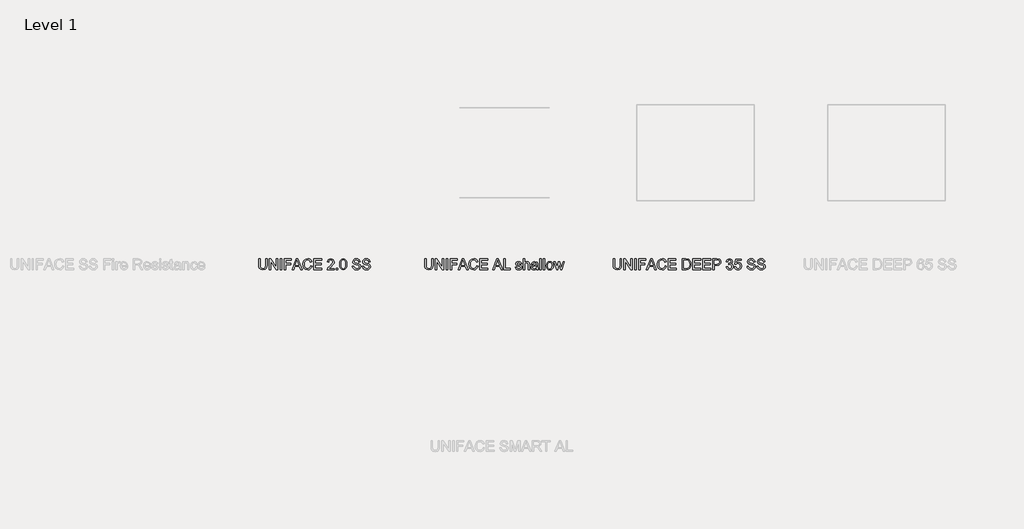
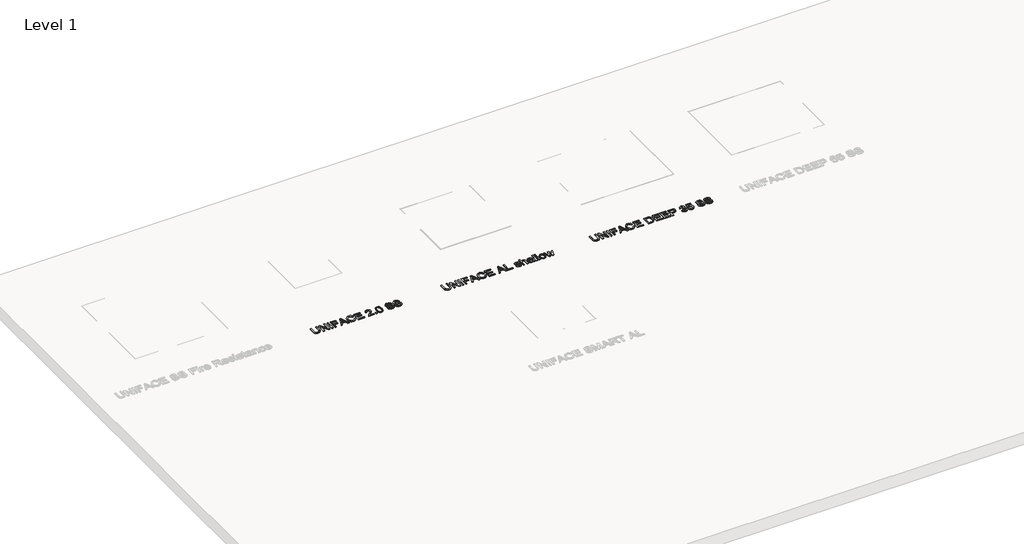
# One storey, part 5 of 9: 3 proxies.
"""IFC4 building model written with IfcOpenShell, lengths in millimetres."""

import ifcopenshell
import ifcopenshell.guid

model = None  # the IFC model being written
_history = None  # IfcOwnerHistory: only IFC2X3 demands one
_inside = {}  # id of a spatial element -> (the spatial element, [elements in it])
_under = {}  # id of a project, library or spatial element -> (it, [spatial elements below it])
_declared = {}  # id of a project -> (the project, [libraries it declares])
_typed = {}  # id of a type object -> (the type object, [elements of that type])
_made_of = {}  # id of a material, layer set ... -> (it, [elements and type objects made of it])


def new_model(schema):
    """Start an empty IFC model of exactly this schema.

    Asked for "IFC4X3", IfcOpenShell would pick the latest addendum, in which some entities
    have other attributes; the version numbers below select the first issue.
    IFC2X3 requires an IfcOwnerHistory on every rooted entity: one is made here for all.
    """
    global model, _history
    if schema == "IFC4X3":
        model = ifcopenshell.file(schema_version=(4, 3, 0, 0))
    else:
        model = ifcopenshell.file(schema=schema)
    _inside.clear()
    _under.clear()
    _declared.clear()
    _typed.clear()
    _made_of.clear()
    _history = None
    if model.schema == "IFC2X3":
        org = make("IfcOrganization", Name="unknown")
        user = make(
            "IfcPersonAndOrganization",
            ThePerson=make("IfcPerson", FamilyName="unknown"),
            TheOrganization=org,
        )
        app = make(
            "IfcApplication",
            ApplicationDeveloper=org,
            Version="unknown",
            ApplicationFullName="unknown",
            ApplicationIdentifier="unknown",
        )
        _history = make(
            "IfcOwnerHistory",
            OwningUser=user,
            OwningApplication=app,
            ChangeAction="ADDED",
            CreationDate=0,
        )
    return model


def make(cls, **values):
    """One entity of the class cls with the attributes given. An attribute that is None is left unset."""
    return model.create_entity(
        cls, **{name: value for name, value in values.items() if value is not None}
    )


def rooted(cls, **values):
    """An entity with a GlobalId (a new one), such as an element, a storey or a relation."""
    return make(cls, GlobalId=ifcopenshell.guid.new(), OwnerHistory=_history, **values)


def si_unit(unit_type, name, prefix=None):
    """IfcSIUnit, for example si_unit("LENGTHUNIT", "METRE", prefix="MILLI")."""
    return make("IfcSIUnit", UnitType=unit_type, Prefix=prefix, Name=name)


def assignment(units):
    """IfcUnitAssignment: the units of a project."""
    return None if units is None else make("IfcUnitAssignment", Units=units)


def point(xyz):
    """IfcCartesianPoint."""
    return None if xyz is None else make("IfcCartesianPoint", Coordinates=xyz)


def direction(xyz):
    """IfcDirection."""
    return None if xyz is None else make("IfcDirection", DirectionRatios=xyz)


def frame(location, z_axis=None, x_axis=None):
    """IfcAxis2Placement3D, a coordinate frame: its origin and axes. An axis left out is left unset."""
    return make(
        "IfcAxis2Placement3D",
        Location=point(location),
        Axis=direction(z_axis),
        RefDirection=direction(x_axis),
    )


def origin():
    """The frame at (0, 0, 0) with its axes left unset."""
    return frame((0.0, 0.0, 0.0))


def origin_with_axes():
    """The frame at (0, 0, 0) with the z axis (0, 0, 1) and the x axis (1, 0, 0) written out."""
    return frame((0.0, 0.0, 0.0), z_axis=(0.0, 0.0, 1.0), x_axis=(1.0, 0.0, 0.0))


def place(relative_to, where):
    """IfcLocalPlacement: puts the frame where relative to a parent placement (None: the world)."""
    return make(
        "IfcLocalPlacement", PlacementRelTo=relative_to, RelativePlacement=where
    )


def context(
    kind, dimensions, precision=None, world=None, true_north=None, identifier=None
):
    """IfcGeometricRepresentationContext, for example the 3D "Model" context."""
    return make(
        "IfcGeometricRepresentationContext",
        ContextIdentifier=identifier,
        ContextType=kind,
        CoordinateSpaceDimension=dimensions,
        Precision=precision,
        WorldCoordinateSystem=world,
        TrueNorth=true_north,
    )


def project(units=None, contexts=None):
    """IfcProject with its units and contexts."""
    return rooted(
        "IfcProject",
        Name="project",
        RepresentationContexts=contexts,
        UnitsInContext=assignment(units),
    )


def spatial(cls, under=None, at=None, **own):
    """A site, building, storey or space (cls), placed at a placement, below another one or the project."""
    s = rooted(cls, ObjectPlacement=at, **own)
    if under is not None:
        _under.setdefault(under.id(), (under, []))[1].append(s)
    return s


def polyline(points):
    """IfcPolyline through the points."""
    return make("IfcPolyline", Points=[point(p) for p in points])


def outline(outer, holes=None, kind="AREA"):
    """IfcArbitraryClosedProfileDef: a profile drawn as a closed curve; with holes, ...WithVoids."""
    if holes is None:
        return make("IfcArbitraryClosedProfileDef", ProfileType=kind, OuterCurve=outer)
    return make(
        "IfcArbitraryProfileDefWithVoids",
        ProfileType=kind,
        OuterCurve=outer,
        InnerCurves=holes,
    )


def extrude(swept, where, along, depth):
    """IfcExtrudedAreaSolid: the profile swept, set in the frame where, extruded along a direction by depth."""
    return make(
        "IfcExtrudedAreaSolid",
        SweptArea=swept,
        Position=where,
        ExtrudedDirection=direction(along),
        Depth=depth,
    )


def shape(context_of_items, identifier, shape_type, items):
    """IfcShapeRepresentation: the items that make up one representation, for example the "Body"."""
    return make(
        "IfcShapeRepresentation",
        ContextOfItems=context_of_items,
        RepresentationIdentifier=identifier,
        RepresentationType=shape_type,
        Items=items,
    )


def made_of(thing, what):
    """Note that an element or type object is made of a material, layer set ...; save() writes the relation."""
    if what is not None:
        _made_of.setdefault(what.id(), (what, []))[1].append(thing)
    return thing


def element(
    cls,
    number,
    at=None,
    inside=None,
    cuts=None,
    type_object=None,
    material=None,
    context=None,
    identifier="Body",
    shape_type=None,
    held_by="IfcProductDefinitionShape",
    body=None,
    shapes=None,
    **own,
):
    """One element of the class cls, such as IfcWall. Its Tag is "e" and its number.

    at: its placement. inside: the storey or other place that contains it. cuts: it is an
    opening in that element (IfcRelVoidsElement). A single representation is given by context,
    identifier, shape_type and body (its items); several are given by shapes. held_by: the class
    of the entity that holds the representations. save() writes the other relations.
    """
    e = rooted(cls, Tag="e%d" % number, ObjectPlacement=at, **own)
    if body is not None:
        shapes = [shape(context, identifier, shape_type, body)]
    if shapes is not None:
        e.Representation = make(held_by, Representations=shapes)
    if inside is not None:
        _inside.setdefault(inside.id(), (inside, []))[1].append(e)
    if cuts is not None:
        rooted(
            "IfcRelVoidsElement", RelatingBuildingElement=cuts, RelatedOpeningElement=e
        )
    if type_object is not None:
        _typed.setdefault(type_object.id(), (type_object, []))[1].append(e)
    return made_of(e, material)


def aggregate(whole, parts):
    """IfcRelAggregates: a whole, such as a stair, and the parts it consists of."""
    return rooted("IfcRelAggregates", RelatingObject=whole, RelatedObjects=parts)


def save(model, path):
    """Write the relations noted so far, then the file.

    IfcRelAggregates (storeys below a building ...), IfcRelContainedInSpatialStructure (elements
    in a storey), IfcRelDefinesByType, IfcRelAssociatesMaterial and IfcRelDeclares: one each for
    every whole, place, type object, material and project.
    """
    for whole, parts in _under.values():
        aggregate(whole, parts)
    for where, things in _inside.values():
        rooted(
            "IfcRelContainedInSpatialStructure",
            RelatedElements=things,
            RelatingStructure=where,
        )
    for kind, things in _typed.values():
        rooted("IfcRelDefinesByType", RelatedObjects=things, RelatingType=kind)
    for what, things in _made_of.values():
        rooted("IfcRelAssociatesMaterial", RelatedObjects=things, RelatingMaterial=what)
    for by, libraries in _declared.values():
        rooted("IfcRelDeclares", RelatingContext=by, RelatedDefinitions=libraries)
    model.write(path)


model = new_model("IFC4")

# Units and contexts
model_context = context("Model", 3, world=origin())
ifc_project = project(units=[si_unit("LENGTHUNIT", "METRE", prefix="MILLI")], contexts=[model_context])

# Site, building, storey
site = spatial("IfcSite", under=ifc_project)
building = spatial("IfcBuilding", under=site)
storey = spatial("IfcBuildingStorey", under=building, Name="Level 1", Elevation=0.0)

# Proxies
placement = place(None, origin())
element("IfcBuildingElementProxy", 1, Name="100mm ACO", ObjectType="100mm ACO", at=placement, inside=storey, context=model_context, shape_type="SweptSolid", body=[
    extrude(outline(polyline([(2159.7357905, -11847.3956492), (2158.8917656, -11861.7586247), (2154.4097023, -11875.3212318), (2142.5933536, -11886.9338503), (2120.7942276, -11891.5759873), (2099.3443533, -11887.4577279), (2087.3970352, -11876.8055515), (2082.5511681, -11863.1992879), (2081.503413, -11847.3956492), (2081.503413, -11789.1288264), (2094.5421426, -11789.1288264), (2094.5421426, -11847.7449008), (2095.8372842, -11863.5048831), (2102.6622443, -11875.2630232), (2109.6982105, -11879.1157058), (2119.7464725, -11880.3999334), (2137.2818176, -11876.3107783), (2144.9216982, -11865.3821109), (2146.6970609, -11847.7449008), (2146.6970609, -11789.1288264), (2159.7357905, -11789.1288264), (2159.7357905, -11847.3956492)])), origin_with_axes(), (0.0, 0.0, 1.0), 10.0),
    extrude(outline(polyline([(2260.3202758, -11889.7133117), (2246.3502084, -11889.7133117), (2195.3885667, -11811.0152653), (2195.3885667, -11889.7133117), (2182.0878983, -11889.7133117), (2182.0878983, -11789.1288264), (2196.08707, -11789.1288264), (2247.0196075, -11867.7686641), (2247.0196075, -11789.1288264), (2260.3202758, -11789.1288264), (2260.3202758, -11889.7133117)])), origin_with_axes(), (0.0, 0.0, 1.0), 10.0),
    extrude(outline(polyline([(2297.5737889, -11889.7133117), (2284.5350593, -11889.7133117), (2284.5350593, -11789.1288264), (2297.5737889, -11789.1288264), (2297.5737889, -11889.7133117)])), origin_with_axes(), (0.0, 0.0, 1.0), 10.0),
    extrude(outline(polyline([(2388.8448959, -11800.3048803), (2334.827302, -11800.3048803), (2334.827302, -11831.9703664), (2381.3941933, -11831.9703664), (2381.3941933, -11843.1464203), (2334.827302, -11843.1464203), (2334.827302, -11889.7133117), (2321.7885724, -11889.7133117), (2321.7885724, -11789.1288264), (2388.8448959, -11789.1288264), (2388.8448959, -11800.3048803)])), origin_with_axes(), (0.0, 0.0, 1.0), 10.0),
    extrude(outline(polyline([(2489.8950502, -11889.7133117), (2476.0122957, -11889.7133117), (2463.9631125, -11859.9105012), (2421.267094, -11859.9105012), (2409.6835798, -11889.7133117), (2395.8299296, -11889.7133117), (2434.9170141, -11789.1288264), (2449.1781245, -11789.1288264), (2489.8950502, -11889.7133117)]), holes=[polyline([(2459.4228406, -11848.7344473), (2444.9143435, -11811.8592902), (2441.9311521, -11800.1302544), (2437.2453586, -11818.8152196), (2425.6327401, -11848.7344473), (2459.4228406, -11848.7344473)])]), origin_with_axes(), (0.0, 0.0, 1.0), 10.0),
    extrude(outline(polyline([(2584.4258396, -11857.6985739), (2578.4776468, -11872.6108932), (2569.3061521, -11883.1793947), (2557.449785, -11889.4768392), (2543.4469752, -11891.5759873), (2522.4191133, -11887.6978384), (2507.9979292, -11876.0633916), (2499.6595452, -11858.9718873), (2496.8800839, -11838.7225656), (2500.1434043, -11817.2108447), (2509.9333656, -11800.9306229), (2524.852961, -11790.6822687), (2543.5051838, -11787.2661507), (2556.8968031, -11789.0888079), (2568.2001884, -11794.5567796), (2576.9205664, -11803.5390964), (2582.5631639, -11815.9047889), (2569.5244344, -11818.9316368), (2559.6144178, -11803.5791148), (2543.0104106, -11798.4422046), (2528.7056437, -11801.1670954), (2518.3299582, -11809.3417676), (2512.0215996, -11822.1003683), (2509.9188134, -11838.5770441), (2512.1452929, -11857.047365), (2518.8247314, -11870.0824565), (2529.0839997, -11877.8205642), (2542.0499685, -11880.3999334), (2552.6803166, -11878.7737302), (2561.1132896, -11873.8951208), (2567.3488874, -11865.7495528), (2571.38711, -11854.3224742), (2584.4258396, -11857.6985739)])), origin_with_axes(), (0.0, 0.0, 1.0), 10.0),
    extrude(outline(polyline([(2675.6969466, -11889.7133117), (2601.1899205, -11889.7133117), (2601.1899205, -11789.1288264), (2673.834271, -11789.1288264), (2673.834271, -11800.3048803), (2614.2286501, -11800.3048803), (2614.2286501, -11831.9703664), (2670.1089197, -11831.9703664), (2670.1089197, -11843.1464203), (2614.2286501, -11843.1464203), (2614.2286501, -11878.5372577), (2675.6969466, -11878.5372577), (2675.6969466, -11889.7133117)])), origin_with_axes(), (0.0, 0.0, 1.0), 10.0),
    extrude(outline(polyline([(2793.0455129, -11889.7133117), (2725.9891893, -11889.7133117), (2731.9846766, -11874.0260901), (2754.1330543, -11852.2851727), (2772.0030988, -11834.8516928), (2778.0058622, -11825.771149), (2780.0067833, -11816.6323966), (2774.5497257, -11803.593667), (2760.7688363, -11798.4422046), (2746.6532473, -11803.5791148), (2742.3603621, -11809.9857004), (2740.8905945, -11818.9316368), (2727.851865, -11817.5346301), (2731.0096823, -11805.3617536), (2738.0965811, -11796.4340074), (2748.3704015, -11790.9551216), (2761.0889837, -11789.1288264), (2774.5242594, -11791.2279745), (2784.619816, -11797.5254189), (2790.9390886, -11806.7915027), (2793.0455129, -11817.7965688), (2791.2847023, -11827.7575179), (2786.0022705, -11837.8494364), (2758.4113874, -11865.5276325), (2742.7532702, -11880.3999334), (2793.0455129, -11880.3999334), (2793.0455129, -11889.7133117)])), origin_with_axes(), (0.0, 0.0, 1.0), 10.0),
    extrude(outline(polyline([(2828.4363503, -11889.7133117), (2813.5349451, -11889.7133117), (2813.5349451, -11874.8119064), (2828.4363503, -11874.8119064), (2828.4363503, -11889.7133117)])), origin_with_axes(), (0.0, 0.0, 1.0), 10.0),
    extrude(outline(polyline([(2878.6994886, -11789.1288264), (2893.3807925, -11792.3339382), (2903.8674382, -11801.9492736), (2910.1594256, -11817.9748327), (2912.2567547, -11840.4106155), (2910.0884838, -11863.0137479), (2903.5836712, -11878.9592702), (2893.0260838, -11888.421808), (2878.6994886, -11891.5759873), (2864.043651, -11888.3781516), (2853.5751955, -11878.7846444), (2847.2941223, -11862.7954656), (2845.2004312, -11840.4106155), (2847.368702, -11817.811121), (2853.8735147, -11801.8183042), (2864.4165499, -11792.3011958), (2878.6994886, -11789.1288264)]), holes=[polyline([(2878.7285929, -11882.2626091), (2887.6199588, -11879.8142092), (2894.0374585, -11872.4690097), (2897.9228835, -11859.5576115), (2899.2180251, -11840.4106155), (2896.9478892, -11816.0503104), (2890.0938249, -11802.8078507), (2878.5830714, -11798.4422046), (2869.7098958, -11800.9342609), (2863.3469666, -11808.4104298), (2859.5161122, -11821.3945888), (2858.2391607, -11840.4106155), (2860.5529532, -11864.6108468), (2867.4070175, -11877.896963), (2878.7285929, -11882.2626091)])]), origin_with_axes(), (0.0, 0.0, 1.0), 10.0),
    extrude(outline(polyline([(3025.8799696, -11818.9316368), (3023.8572203, -11809.9857004), (3019.3606048, -11803.5791148), (3012.3901233, -11799.7264322), (3002.9457756, -11798.4422046), (2987.2294498, -11802.4440468), (2982.6891779, -11807.3590367), (2981.1757539, -11814.1003218), (2985.6723694, -11824.2140686), (3003.9644264, -11830.5442553), (3023.9154289, -11836.0595215), (3037.1433365, -11845.0382003), (3041.268872, -11852.1614794), (3042.6440505, -11861.3657166), (3040.1228899, -11873.2730162), (3032.5594081, -11882.9756646), (3020.9431515, -11889.4259066), (3006.2636666, -11891.5759873), (2988.1753398, -11889.1894341), (2975.2966839, -11882.0297746), (2967.438521, -11871.072003), (2964.411673, -11857.2911136), (2977.4504026, -11856.1851499), (2980.0952565, -11867.1247313), (2986.3417684, -11874.6227284), (2995.2294962, -11878.9556322), (3005.7979977, -11880.3999334), (3023.0277475, -11875.6413792), (3027.9609276, -11870.035162), (3029.6053209, -11862.733619), (3027.906357, -11855.3629532), (3022.8094652, -11850.3060799), (2999.3950502, -11842.8117208), (2985.1011973, -11838.4460747), (2975.4567576, -11832.5379004), (2969.9669576, -11824.8652774), (2968.1370243, -11815.2062855), (2970.4326266, -11804.1466488), (2977.3194332, -11795.1825222), (2988.1644257, -11789.2452436), (3002.3345852, -11787.2661507), (3016.9813277, -11789.2597957), (3028.4411486, -11795.2407308), (3035.9937163, -11804.8888086), (3038.9186992, -11817.8838818), (3025.8799696, -11818.9316368)])), origin_with_axes(), (0.0, 0.0, 1.0), 10.0),
    extrude(outline(polyline([(3119.0137523, -11818.9316368), (3116.991003, -11809.9857004), (3112.4943875, -11803.5791148), (3105.523906, -11799.7264322), (3096.0795583, -11798.4422046), (3080.3632325, -11802.4440468), (3075.8229606, -11807.3590367), (3074.3095366, -11814.1003218), (3078.8061521, -11824.2140686), (3097.0982091, -11830.5442553), (3117.0492116, -11836.0595215), (3130.2771192, -11845.0382003), (3134.4026547, -11852.1614794), (3135.7778332, -11861.3657166), (3133.2566726, -11873.2730162), (3125.6931908, -11882.9756646), (3114.0769342, -11889.4259066), (3099.3974493, -11891.5759873), (3081.3091225, -11889.1894341), (3068.4304666, -11882.0297746), (3060.5723037, -11871.072003), (3057.5454557, -11857.2911136), (3070.5841853, -11856.1851499), (3073.2290392, -11867.1247313), (3079.4755511, -11874.6227284), (3088.3632789, -11878.9556322), (3098.9317804, -11880.3999334), (3116.1615302, -11875.6413792), (3121.0947103, -11870.035162), (3122.7391036, -11862.733619), (3121.0401397, -11855.3629532), (3115.9432479, -11850.3060799), (3092.5288329, -11842.8117208), (3078.23498, -11838.4460747), (3068.5905403, -11832.5379004), (3063.1007403, -11824.8652774), (3061.270807, -11815.2062855), (3063.5664093, -11804.1466488), (3070.4532159, -11795.1825222), (3081.2982084, -11789.2452436), (3095.4683679, -11787.2661507), (3110.1151104, -11789.2597957), (3121.5749313, -11795.2407308), (3129.127499, -11804.8888086), (3132.0524819, -11817.8838818), (3119.0137523, -11818.9316368)])), origin_with_axes(), (0.0, 0.0, 1.0), 10.0),
])
element("IfcBuildingElementProxy", 2, Name="100mm ACO", ObjectType="100mm ACO", at=placement, inside=storey, context=model_context, shape_type="SweptSolid", body=[
    extrude(outline(polyline([(3724.6433876, -11847.3956492), (3723.7993627, -11861.7586247), (3719.3172994, -11875.3212318), (3707.5009507, -11886.9338503), (3685.7018247, -11891.5759873), (3664.2519504, -11887.4577279), (3652.3046323, -11876.8055515), (3647.4587652, -11863.1992879), (3646.4110101, -11847.3956492), (3646.4110101, -11789.1288264), (3659.4497397, -11789.1288264), (3659.4497397, -11847.7449008), (3660.7448814, -11863.5048831), (3667.5698414, -11875.2630232), (3674.6058076, -11879.1157058), (3684.6540696, -11880.3999334), (3702.1894147, -11876.3107783), (3709.8292953, -11865.3821109), (3711.604658, -11847.7449008), (3711.604658, -11789.1288264), (3724.6433876, -11789.1288264), (3724.6433876, -11847.3956492)])), origin_with_axes(), (0.0, 0.0, 1.0), 10.0),
    extrude(outline(polyline([(3825.2278729, -11889.7133117), (3811.2578055, -11889.7133117), (3760.2961638, -11811.0152653), (3760.2961638, -11889.7133117), (3746.9954954, -11889.7133117), (3746.9954954, -11789.1288264), (3760.9946671, -11789.1288264), (3811.9272046, -11867.7686641), (3811.9272046, -11789.1288264), (3825.2278729, -11789.1288264), (3825.2278729, -11889.7133117)])), origin_with_axes(), (0.0, 0.0, 1.0), 10.0),
    extrude(outline(polyline([(3862.481386, -11889.7133117), (3849.4426564, -11889.7133117), (3849.4426564, -11789.1288264), (3862.481386, -11789.1288264), (3862.481386, -11889.7133117)])), origin_with_axes(), (0.0, 0.0, 1.0), 10.0),
    extrude(outline(polyline([(3953.752493, -11800.3048803), (3899.7348991, -11800.3048803), (3899.7348991, -11831.9703664), (3946.3017904, -11831.9703664), (3946.3017904, -11843.1464203), (3899.7348991, -11843.1464203), (3899.7348991, -11889.7133117), (3886.6961695, -11889.7133117), (3886.6961695, -11789.1288264), (3953.752493, -11789.1288264), (3953.752493, -11800.3048803)])), origin_with_axes(), (0.0, 0.0, 1.0), 10.0),
    extrude(outline(polyline([(4054.8026473, -11889.7133117), (4040.9198928, -11889.7133117), (4028.8707096, -11859.9105012), (3986.1746911, -11859.9105012), (3974.5911769, -11889.7133117), (3960.7375267, -11889.7133117), (3999.8246112, -11789.1288264), (4014.0857216, -11789.1288264), (4054.8026473, -11889.7133117)]), holes=[polyline([(4024.3304377, -11848.7344473), (4009.8219406, -11811.8592902), (4006.8387492, -11800.1302544), (4002.1529557, -11818.8152196), (3990.5403372, -11848.7344473), (4024.3304377, -11848.7344473)])]), origin_with_axes(), (0.0, 0.0, 1.0), 10.0),
    extrude(outline(polyline([(4149.3334367, -11857.6985739), (4143.3852439, -11872.6108932), (4134.2137492, -11883.1793947), (4122.3573821, -11889.4768392), (4108.3545723, -11891.5759873), (4087.3267104, -11887.6978384), (4072.9055263, -11876.0633916), (4064.5671423, -11858.9718873), (4061.787681, -11838.7225656), (4065.0510014, -11817.2108447), (4074.8409627, -11800.9306229), (4089.7605581, -11790.6822687), (4108.4127809, -11787.2661507), (4121.8044002, -11789.0888079), (4133.1077855, -11794.5567796), (4141.8281635, -11803.5390964), (4147.4707611, -11815.9047889), (4134.4320315, -11818.9316368), (4124.5220149, -11803.5791148), (4107.9180077, -11798.4422046), (4093.6132408, -11801.1670954), (4083.2375553, -11809.3417676), (4076.9291967, -11822.1003683), (4074.8264105, -11838.5770441), (4077.05289, -11857.047365), (4083.7323285, -11870.0824565), (4093.9915968, -11877.8205642), (4106.9575656, -11880.3999334), (4117.5879137, -11878.7737302), (4126.0208867, -11873.8951208), (4132.2564845, -11865.7495528), (4136.2947071, -11854.3224742), (4149.3334367, -11857.6985739)])), origin_with_axes(), (0.0, 0.0, 1.0), 10.0),
    extrude(outline(polyline([(4240.6045438, -11889.7133117), (4166.0975176, -11889.7133117), (4166.0975176, -11789.1288264), (4238.7418681, -11789.1288264), (4238.7418681, -11800.3048803), (4179.1362472, -11800.3048803), (4179.1362472, -11831.9703664), (4235.0165168, -11831.9703664), (4235.0165168, -11843.1464203), (4179.1362472, -11843.1464203), (4179.1362472, -11878.5372577), (4240.6045438, -11878.5372577), (4240.6045438, -11889.7133117)])), origin_with_axes(), (0.0, 0.0, 1.0), 10.0),
    extrude(outline(polyline([(4380.7708867, -11889.7133117), (4366.8881322, -11889.7133117), (4354.8389491, -11859.9105012), (4312.1429306, -11859.9105012), (4300.5594164, -11889.7133117), (4286.7057662, -11889.7133117), (4325.7928506, -11789.1288264), (4340.0539611, -11789.1288264), (4380.7708867, -11889.7133117)]), holes=[polyline([(4350.2986772, -11848.7344473), (4335.7901801, -11811.8592902), (4332.8069886, -11800.1302544), (4328.1211952, -11818.8152196), (4316.5085767, -11848.7344473), (4350.2986772, -11848.7344473)])]), origin_with_axes(), (0.0, 0.0, 1.0), 10.0),
    extrude(outline(polyline([(4454.812244, -11889.7133117), (4391.4812717, -11889.7133117), (4391.4812717, -11789.1288264), (4404.5200013, -11789.1288264), (4404.5200013, -11878.5372577), (4454.812244, -11878.5372577), (4454.812244, -11889.7133117)])), origin_with_axes(), (0.0, 0.0, 1.0), 10.0),
    extrude(outline(polyline([(4547.9460267, -11837.5583934), (4543.1292639, -11827.7793462), (4531.9968664, -11824.5196638), (4520.6170823, -11827.3136773), (4516.2805406, -11835.4337789), (4519.1473148, -11842.6225428), (4532.6662655, -11846.5225199), (4550.4926535, -11850.7135402), (4559.5877495, -11857.0728313), (4562.8474319, -11868.4671675), (4560.8246826, -11877.4494843), (4554.7564345, -11884.8965488), (4545.3048108, -11889.9061277), (4533.1319344, -11891.5759873), (4520.58434, -11890.1717045), (4511.114526, -11885.9588561), (4504.7152165, -11878.944718), (4501.3791353, -11869.1365666), (4514.4178649, -11867.3612038), (4520.0495483, -11878.5518099), (4533.1319344, -11882.2626091), (4545.5012649, -11878.4062884), (4549.8087023, -11869.0201493), (4547.8732659, -11863.0101099), (4543.0419509, -11859.6194581), (4529.3774787, -11856.7090274), (4516.1241049, -11853.4638972), (4508.3205126, -11848.8508645), (4503.241811, -11836.1904909), (4505.1226768, -11827.855745), (4510.7652744, -11821.129012), (4519.5875174, -11816.6869671), (4531.0073199, -11815.2062855), (4543.0092086, -11816.5014272), (4552.0060775, -11820.3868522), (4557.9979267, -11826.8552844), (4560.9847563, -11835.8994479), (4547.9460267, -11837.5583934)])), origin_with_axes(), (0.0, 0.0, 1.0), 10.0),
    extrude(outline(polyline([(4635.4917824, -11889.7133117), (4622.4530528, -11889.7133117), (4622.4530528, -11842.73896), (4618.7422537, -11829.0744878), (4607.6680648, -11824.5196638), (4594.6584396, -11829.8894084), (4590.3582782, -11837.3655773), (4588.9248911, -11849.0545947), (4588.9248911, -11889.7133117), (4575.8861615, -11889.7133117), (4575.8861615, -11789.1288264), (4588.9248911, -11789.1288264), (4588.9248911, -11825.1599585), (4598.68211, -11817.6947038), (4610.6075998, -11815.2062855), (4623.9664768, -11818.0876119), (4632.9160512, -11826.9498734), (4635.4917824, -11843.5538806), (4635.4917824, -11889.7133117)])), origin_with_axes(), (0.0, 0.0, 1.0), 10.0),
    extrude(outline(polyline([(4717.4495112, -11889.7133117), (4704.4107816, -11889.7133117), (4700.6854303, -11880.9238109), (4688.1196457, -11888.9129432), (4674.5788668, -11891.5759873), (4664.5342429, -11890.120772), (4656.868896, -11885.7551259), (4652.0121147, -11879.0029267), (4650.3931876, -11870.3880518), (4651.9793724, -11862.0314776), (4656.7379266, -11855.2974685), (4665.4182862, -11850.3752026), (4678.7698871, -11847.4538578), (4690.1787754, -11845.7075993), (4700.6854303, -11843.1464203), (4700.3507308, -11835.0699751), (4698.4007422, -11830.1658994), (4693.2056234, -11826.0767442), (4683.5720977, -11824.5196638), (4671.4210495, -11827.6774811), (4665.2945929, -11839.421069), (4652.2558633, -11837.8203321), (4655.832055, -11827.953972), (4662.5442359, -11820.8816254), (4672.3851297, -11816.6251205), (4685.3474605, -11815.2062855), (4704.7163768, -11819.0917105), (4712.312601, -11828.4632974), (4713.7241599, -11842.5934385), (4713.7241599, -11859.2119978), (4714.2771417, -11879.5850128), (4717.4495112, -11889.7133117)]), holes=[polyline([(4700.6854303, -11857.1164877), (4700.6854303, -11852.4597986), (4677.2710153, -11857.8149911), (4666.8916917, -11861.8968702), (4663.4319172, -11870.1843216), (4667.1572685, -11878.8574051), (4677.8967579, -11882.2626091), (4693.8022617, -11876.5581649), (4698.9646382, -11868.8455235), (4700.6854303, -11857.1164877)])]), origin_with_axes(), (0.0, 0.0, 1.0), 10.0),
    extrude(outline(polyline([(4745.389646, -11889.7133117), (4732.3509164, -11889.7133117), (4732.3509164, -11789.1288264), (4745.389646, -11789.1288264), (4745.389646, -11889.7133117)])), origin_with_axes(), (0.0, 0.0, 1.0), 10.0),
    extrude(outline(polyline([(4777.0551321, -11889.7133117), (4764.0164025, -11889.7133117), (4764.0164025, -11789.1288264), (4777.0551321, -11789.1288264), (4777.0551321, -11889.7133117)])), origin_with_axes(), (0.0, 0.0, 1.0), 10.0),
    extrude(outline(polyline([(4825.4555948, -11815.2062855), (4838.7089687, -11817.6146669), (4849.4812003, -11824.8398112), (4856.6299458, -11836.5033622), (4859.0128609, -11852.2269641), (4856.4334917, -11870.6063341), (4848.695384, -11882.6700694), (4837.7266983, -11889.3495078), (4825.4555948, -11891.5759873), (4812.7915832, -11889.2876612), (4801.9247625, -11882.4226827), (4794.4485937, -11870.5881439), (4791.9565374, -11853.3911364), (4794.3649188, -11836.576123), (4801.590063, -11824.6651853), (4812.3732088, -11817.5710105), (4825.4555948, -11815.2062855)]), holes=[polyline([(4825.4555948, -11882.2626091), (4834.3142183, -11880.2434977), (4840.7499082, -11874.1861638), (4845.9741313, -11852.9254675), (4844.4970877, -11840.5706891), (4840.065957, -11831.6793233), (4833.4592793, -11826.3095787), (4825.4555948, -11824.5196638), (4817.2954747, -11826.3350449), (4810.7433676, -11831.7811884), (4806.4322921, -11840.8217138), (4804.9952669, -11853.4202407), (4806.4577584, -11865.9751112), (4810.8452327, -11875.0010844), (4817.4228061, -11880.4472279), (4825.4555948, -11882.2626091)])]), origin_with_axes(), (0.0, 0.0, 1.0), 10.0),
    extrude(outline(polyline([(4963.7883664, -11817.0689612), (4939.4280614, -11889.7133117), (4927.0878352, -11889.7133117), (4916.5229717, -11846.056851), (4915.2132779, -11840.1632288), (4913.9617927, -11833.7166248), (4901.1267933, -11889.7133117), (4888.8156714, -11889.7133117), (4864.135219, -11817.0689612), (4875.7478375, -11817.0689612), (4893.4723605, -11874.6372806), (4895.5969749, -11864.8291291), (4906.6857159, -11817.0689612), (4921.3542867, -11817.0689612), (4930.1437874, -11855.1664991), (4934.2183904, -11873.065648), (4952.1757479, -11817.0689612), (4963.7883664, -11817.0689612)])), origin_with_axes(), (0.0, 0.0, 1.0), 10.0),
])
element("IfcBuildingElementProxy", 3, Name="100mm ACO", ObjectType="100mm ACO", at=placement, inside=storey, context=model_context, shape_type="SweptSolid", body=[
    extrude(outline(polyline([(5500.531694, -11847.3956492), (5499.6876691, -11861.7586247), (5495.2056058, -11875.3212318), (5483.3892571, -11886.9338503), (5461.5901311, -11891.5759873), (5440.1402568, -11887.4577279), (5428.1929387, -11876.8055515), (5423.3470716, -11863.1992879), (5422.2993165, -11847.3956492), (5422.2993165, -11789.1288264), (5435.3380461, -11789.1288264), (5435.3380461, -11847.7449008), (5436.6331878, -11863.5048831), (5443.4581478, -11875.2630232), (5450.494114, -11879.1157058), (5460.542376, -11880.3999334), (5478.0777211, -11876.3107783), (5485.7176017, -11865.3821109), (5487.4929644, -11847.7449008), (5487.4929644, -11789.1288264), (5500.531694, -11789.1288264), (5500.531694, -11847.3956492)])), origin_with_axes(), (0.0, 0.0, 1.0), 10.0),
    extrude(outline(polyline([(5601.1161793, -11889.7133117), (5587.1461119, -11889.7133117), (5536.1844702, -11811.0152653), (5536.1844702, -11889.7133117), (5522.8838018, -11889.7133117), (5522.8838018, -11789.1288264), (5536.8829736, -11789.1288264), (5587.815511, -11867.7686641), (5587.815511, -11789.1288264), (5601.1161793, -11789.1288264), (5601.1161793, -11889.7133117)])), origin_with_axes(), (0.0, 0.0, 1.0), 10.0),
    extrude(outline(polyline([(5638.3696924, -11889.7133117), (5625.3309628, -11889.7133117), (5625.3309628, -11789.1288264), (5638.3696924, -11789.1288264), (5638.3696924, -11889.7133117)])), origin_with_axes(), (0.0, 0.0, 1.0), 10.0),
    extrude(outline(polyline([(5729.6407994, -11800.3048803), (5675.6232055, -11800.3048803), (5675.6232055, -11831.9703664), (5722.1900968, -11831.9703664), (5722.1900968, -11843.1464203), (5675.6232055, -11843.1464203), (5675.6232055, -11889.7133117), (5662.5844759, -11889.7133117), (5662.5844759, -11789.1288264), (5729.6407994, -11789.1288264), (5729.6407994, -11800.3048803)])), origin_with_axes(), (0.0, 0.0, 1.0), 10.0),
    extrude(outline(polyline([(5830.6909537, -11889.7133117), (5816.8081992, -11889.7133117), (5804.7590161, -11859.9105012), (5762.0629975, -11859.9105012), (5750.4794833, -11889.7133117), (5736.6258331, -11889.7133117), (5775.7129176, -11789.1288264), (5789.9740281, -11789.1288264), (5830.6909537, -11889.7133117)]), holes=[polyline([(5800.2187442, -11848.7344473), (5785.7102471, -11811.8592902), (5782.7270556, -11800.1302544), (5778.0412621, -11818.8152196), (5766.4286436, -11848.7344473), (5800.2187442, -11848.7344473)])]), origin_with_axes(), (0.0, 0.0, 1.0), 10.0),
    extrude(outline(polyline([(5925.2217431, -11857.6985739), (5919.2735504, -11872.6108932), (5910.1020556, -11883.1793947), (5898.2456885, -11889.4768392), (5884.2428787, -11891.5759873), (5863.2150169, -11887.6978384), (5848.7938327, -11876.0633916), (5840.4554487, -11858.9718873), (5837.6759874, -11838.7225656), (5840.9393078, -11817.2108447), (5850.7292691, -11800.9306229), (5865.6488645, -11790.6822687), (5884.3010873, -11787.2661507), (5897.6927066, -11789.0888079), (5908.9960919, -11794.5567796), (5917.7164699, -11803.5390964), (5923.3590675, -11815.9047889), (5910.3203379, -11818.9316368), (5900.4103213, -11803.5791148), (5883.8063141, -11798.4422046), (5869.5015472, -11801.1670954), (5859.1258617, -11809.3417676), (5852.8175031, -11822.1003683), (5850.714717, -11838.5770441), (5852.9411965, -11857.047365), (5859.6206349, -11870.0824565), (5869.8799032, -11877.8205642), (5882.845872, -11880.3999334), (5893.4762202, -11878.7737302), (5901.9091931, -11873.8951208), (5908.1447909, -11865.7495528), (5912.1830135, -11854.3224742), (5925.2217431, -11857.6985739)])), origin_with_axes(), (0.0, 0.0, 1.0), 10.0),
    extrude(outline(polyline([(6016.4928502, -11889.7133117), (5941.985824, -11889.7133117), (5941.985824, -11789.1288264), (6014.6301745, -11789.1288264), (6014.6301745, -11800.3048803), (5955.0245536, -11800.3048803), (5955.0245536, -11831.9703664), (6010.9048232, -11831.9703664), (6010.9048232, -11843.1464203), (5955.0245536, -11843.1464203), (5955.0245536, -11878.5372577), (6016.4928502, -11878.5372577), (6016.4928502, -11889.7133117)])), origin_with_axes(), (0.0, 0.0, 1.0), 10.0),
    extrude(outline(polyline([(6074.2357954, -11789.1288264), (6108.4624606, -11789.1288264), (6123.945952, -11790.0601642), (6136.3443868, -11794.5858839), (6146.690968, -11804.4959005), (6153.6614495, -11819.0043976), (6156.1935242, -11838.8680872), (6153.5886887, -11859.1210469), (6145.7741823, -11875.4085447), (6131.6076608, -11886.1371199), (6109.9467803, -11889.7133117), (6074.2357954, -11889.7133117), (6074.2357954, -11789.1288264)]), holes=[polyline([(6087.274525, -11878.5372577), (6108.7243994, -11878.5372577), (6120.438883, -11877.6932328), (6130.9018814, -11873.1384088), (6139.6768299, -11860.9728084), (6143.1547946, -11838.5770441), (6141.8159965, -11824.1995164), (6136.8973686, -11812.0193639), (6128.6754019, -11803.972023), (6119.6239624, -11800.8578621), (6108.3169391, -11800.3048803), (6087.274525, -11800.3048803), (6087.274525, -11878.5372577)])]), origin_with_axes(), (0.0, 0.0, 1.0), 10.0),
    extrude(outline(polyline([(6249.3273069, -11889.7133117), (6174.8202808, -11889.7133117), (6174.8202808, -11789.1288264), (6247.4646313, -11789.1288264), (6247.4646313, -11800.3048803), (6187.8590103, -11800.3048803), (6187.8590103, -11831.9703664), (6243.73928, -11831.9703664), (6243.73928, -11843.1464203), (6187.8590103, -11843.1464203), (6187.8590103, -11878.5372577), (6249.3273069, -11878.5372577), (6249.3273069, -11889.7133117)])), origin_with_axes(), (0.0, 0.0, 1.0), 10.0),
    extrude(outline(polyline([(6342.4610896, -11889.7133117), (6267.9540635, -11889.7133117), (6267.9540635, -11789.1288264), (6340.598414, -11789.1288264), (6340.598414, -11800.3048803), (6280.992793, -11800.3048803), (6280.992793, -11831.9703664), (6336.8730627, -11831.9703664), (6336.8730627, -11843.1464203), (6280.992793, -11843.1464203), (6280.992793, -11878.5372577), (6342.4610896, -11878.5372577), (6342.4610896, -11889.7133117)])), origin_with_axes(), (0.0, 0.0, 1.0), 10.0),
    extrude(outline(polyline([(6361.0878462, -11789.1288264), (6398.8652368, -11789.1288264), (6414.2614152, -11790.0165077), (6426.2523898, -11794.6295404), (6434.619878, -11804.7432871), (6437.457548, -11818.1167162), (6435.2201544, -11830.6206542), (6428.5079736, -11840.366959), (6416.8626127, -11846.6425752), (6399.8256789, -11848.7344473), (6374.1265758, -11848.7344473), (6374.1265758, -11889.7133117), (6361.0878462, -11889.7133117), (6361.0878462, -11789.1288264)]), holes=[polyline([(6374.1265758, -11837.5583934), (6400.3495564, -11837.5583934), (6418.4015029, -11832.7925631), (6422.9144895, -11826.8352752), (6424.4188184, -11818.4950722), (6421.2901054, -11807.4499877), (6413.6065683, -11801.4836047), (6400.0585134, -11800.3048803), (6374.1265758, -11800.3048803), (6374.1265758, -11837.5583934)])]), origin_with_axes(), (0.0, 0.0, 1.0), 10.0),
    extrude(outline(polyline([(6535.5099586, -11835.7975828), (6543.888361, -11839.0536271), (6549.9311428, -11844.8781266), (6554.8061142, -11860.4925873), (6552.2667634, -11872.872832), (6544.648711, -11882.830143), (6533.4944853, -11889.3895263), (6520.3466146, -11891.5759873), (6507.9954743, -11889.647827), (6498.0090589, -11883.8633459), (6491.0422154, -11874.9137715), (6487.7497906, -11863.490331), (6500.7885202, -11861.7731769), (6507.6571367, -11877.1548032), (6520.7831792, -11882.2626091), (6528.8996428, -11880.7273569), (6535.6700323, -11876.1216003), (6540.2430465, -11869.2893642), (6541.7673846, -11861.0746735), (6540.3376355, -11853.2710811), (6536.0483883, -11846.9154281), (6529.4526247, -11842.6916655), (6521.1033266, -11841.2837447), (6511.9645742, -11843.1464203), (6513.4197895, -11831.9703664), (6521.336161, -11831.4755932), (6527.8555258, -11829.0599357), (6533.8219088, -11823.5592216), (6536.1793577, -11814.682408), (6531.3625948, -11802.6914335), (6520.2010931, -11798.4422046), (6508.3992965, -11803.2735196), (6502.6511959, -11817.0689612), (6489.6124663, -11814.8279295), (6493.472425, -11803.5754768), (6500.2209862, -11795.5463261), (6509.2178552, -11790.7332013), (6519.8227371, -11789.1288264), (6531.3553188, -11791.0315204), (6540.8069425, -11796.7396027), (6547.115301, -11805.1980419), (6549.2180872, -11815.351807), (6545.7910551, -11827.4883031), (6535.5099586, -11835.7975828)])), origin_with_axes(), (0.0, 0.0, 1.0), 10.0),
    extrude(outline(polyline([(6583.5611696, -11827.2263643), (6602.3334477, -11822.6569881), (6613.8842196, -11824.8943817), (6623.8560828, -11831.6065626), (6630.7428894, -11842.0440947), (6633.0384917, -11855.4575422), (6630.6555765, -11869.3766771), (6623.5068311, -11881.0402282), (6612.4944889, -11888.9420475), (6598.5207835, -11891.5759873), (6586.7117108, -11889.7569681), (6576.6052402, -11884.2999105), (6569.3218874, -11875.2775754), (6565.9821681, -11862.7627233), (6579.0208977, -11861.7731769), (6585.8313056, -11877.1839075), (6598.666305, -11882.2626091), (6607.2811799, -11880.3781052), (6614.0915877, -11874.7245935), (6618.5227185, -11866.3134488), (6619.9997621, -11856.1560456), (6618.5190805, -11846.1296118), (6614.0770356, -11838.4606269), (6607.3066462, -11833.5929315), (6598.8409308, -11831.9703664), (6588.4434171, -11834.3350913), (6580.7671561, -11841.4292662), (6567.8448438, -11839.9158422), (6577.5947867, -11790.991502), (6629.3131404, -11790.991502), (6629.3131404, -11800.3048803), (6588.9454664, -11800.3048803), (6583.5611696, -11827.2263643)])), origin_with_axes(), (0.0, 0.0, 1.0), 10.0),
    extrude(outline(polyline([(6746.6617066, -11818.9316368), (6744.6389572, -11809.9857004), (6740.1423418, -11803.5791148), (6733.1718602, -11799.7264322), (6723.7275126, -11798.4422046), (6708.0111867, -11802.4440468), (6703.4709148, -11807.3590367), (6701.9574909, -11814.1003218), (6706.4541063, -11824.2140686), (6724.7461633, -11830.5442553), (6744.6971658, -11836.0595215), (6757.9250734, -11845.0382003), (6762.0506089, -11852.1614794), (6763.4257875, -11861.3657166), (6760.9046268, -11873.2730162), (6753.341145, -11882.9756646), (6741.7248885, -11889.4259066), (6727.0454036, -11891.5759873), (6708.9570767, -11889.1894341), (6696.0784208, -11882.0297746), (6688.2202579, -11871.072003), (6685.19341, -11857.2911136), (6698.2321396, -11856.1851499), (6700.8769935, -11867.1247313), (6707.1235054, -11874.6227284), (6716.0112332, -11878.9556322), (6726.5797347, -11880.3999334), (6743.8094845, -11875.6413792), (6748.7426645, -11870.035162), (6750.3870579, -11862.733619), (6748.6880939, -11855.3629532), (6743.5912022, -11850.3060799), (6720.1767871, -11842.8117208), (6705.8829343, -11838.4460747), (6696.2384945, -11832.5379004), (6690.7486946, -11824.8652774), (6688.9187613, -11815.2062855), (6691.2143635, -11804.1466488), (6698.1011702, -11795.1825222), (6708.9461626, -11789.2452436), (6723.1163221, -11787.2661507), (6737.7630647, -11789.2597957), (6749.2228856, -11795.2407308), (6756.7754533, -11804.8888086), (6759.7004361, -11817.8838818), (6746.6617066, -11818.9316368)])), origin_with_axes(), (0.0, 0.0, 1.0), 10.0),
    extrude(outline(polyline([(6839.7954893, -11818.9316368), (6837.7727399, -11809.9857004), (6833.2761245, -11803.5791148), (6826.3056429, -11799.7264322), (6816.8612953, -11798.4422046), (6801.1449694, -11802.4440468), (6796.6046975, -11807.3590367), (6795.0912736, -11814.1003218), (6799.587889, -11824.2140686), (6817.879946, -11830.5442553), (6837.8309485, -11836.0595215), (6851.0588561, -11845.0382003), (6855.1843916, -11852.1614794), (6856.5595702, -11861.3657166), (6854.0384096, -11873.2730162), (6846.4749277, -11882.9756646), (6834.8586712, -11889.4259066), (6820.1791863, -11891.5759873), (6802.0908594, -11889.1894341), (6789.2122035, -11882.0297746), (6781.3540406, -11871.072003), (6778.3271927, -11857.2911136), (6791.3659223, -11856.1851499), (6794.0107762, -11867.1247313), (6800.2572881, -11874.6227284), (6809.1450159, -11878.9556322), (6819.7135174, -11880.3999334), (6836.9432672, -11875.6413792), (6841.8764472, -11870.035162), (6843.5208406, -11862.733619), (6841.8218766, -11855.3629532), (6836.7249849, -11850.3060799), (6813.3105698, -11842.8117208), (6799.016717, -11838.4460747), (6789.3722772, -11832.5379004), (6783.8824773, -11824.8652774), (6782.052544, -11815.2062855), (6784.3481462, -11804.1466488), (6791.2349529, -11795.1825222), (6802.0799453, -11789.2452436), (6816.2501048, -11787.2661507), (6830.8968474, -11789.2597957), (6842.3566683, -11795.2407308), (6849.909236, -11804.8888086), (6852.8342188, -11817.8838818), (6839.7954893, -11818.9316368)])), origin_with_axes(), (0.0, 0.0, 1.0), 10.0),
])

save(model, "model.ifc")
